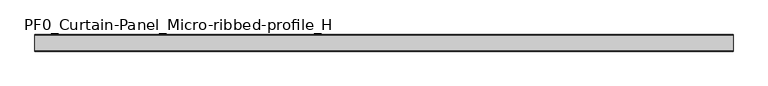
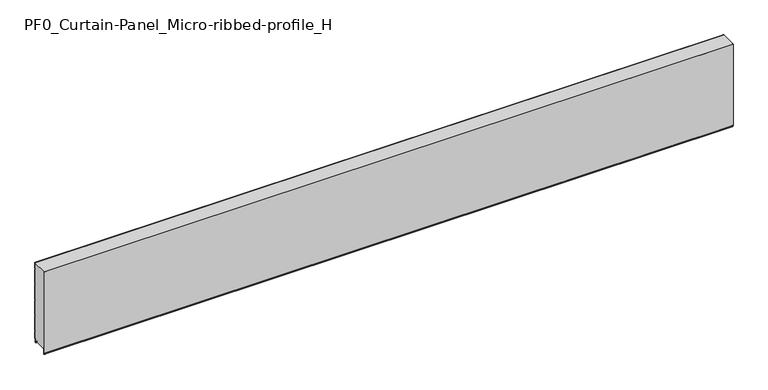
"""IFC4 building model written with IfcOpenShell, lengths in millimetres: plate geometry, PF0_Curtain-Panel_Micro-ribbed-profile_H."""

from ifc_helpers import new_model, si_unit, point, frame, frame_2d, origin, place, context, project, spatial, polyline, circle_curve, trimmed, segment, composite_curve, outline, extrude, source, transform, mapped, element, save


def pf0_curtain_panel_micro_ribbed_profile_h_acbe82d0(model_context):
    return source(origin(), model_context, "Body", "SweptSolid", [
        extrude(outline(composite_curve([segment(polyline([(-15.878557, 0.0), (-20.0, 0.0), (-20.0, 0.8), (-15.878557, 0.8)]), True, "CONTINUOUS"), segment(trimmed(circle_curve(frame_2d((-15.878557, -2.0)), 2.8), [point((-15.878557, 0.8))], [point((-13.1503208, -1.370137))], False, "CARTESIAN"), True, "CONTINUOUS"), segment(polyline([(-13.1503208, -1.370137), (-11.728236, -7.529863)]), True, "CONTINUOUS"), segment(trimmed(circle_curve(frame_2d((-9.0, -6.9)), 2.8), [point((-11.728236, -7.529863))], [point((-6.2, -6.9))], True, "CARTESIAN"), True, "CONTINUOUS"), segment(polyline([(-6.2, -6.9), (-6.2, 8.6)]), True, "CONTINUOUS"), segment(trimmed(circle_curve(frame_2d((-3.4, 8.6)), 2.8), [point((-6.2, 8.6))], [point((-3.4, 11.4))], False, "CARTESIAN"), True, "CONTINUOUS"), segment(polyline([(-3.4, 11.4), (-2.0, 11.4)]), True, "CONTINUOUS"), segment(trimmed(circle_curve(frame_2d((-2.0, 12.6)), 1.2), [point((-2.0, 11.4))], [point((-0.8, 12.6))], True, "CARTESIAN"), True, "CONTINUOUS"), segment(polyline([(-0.8, 12.6), (-0.8, 57.6856412), (-2.482606, 60.6), (-0.8, 63.5143588), (-0.8, 157.6856412), (-2.482606, 160.6), (-0.8, 163.5143588), (-0.8, 257.6856412), (-2.482606, 260.6), (-0.8, 263.5143588), (-0.8, 357.6856412), (-2.482606, 360.6), (-0.8, 363.5143588), (-0.8, 457.6856412), (-2.482606, 460.6), (-0.8, 463.5143588), (-0.8, 500.0), (0.0, 500.0), (0.0, 463.2999995), (-1.5588455, 460.6), (0.0, 457.9000005), (0.0, 363.2999995), (-1.5588455, 360.6), (0.0, 357.9000005), (0.0, 263.2999995), (-1.5588455, 260.6), (0.0, 257.9000005), (0.0, 163.2999995), (-1.5588455, 160.6), (0.0, 157.9000005), (0.0, 63.2999995), (-1.5588455, 60.6), (0.0, 57.9000005), (0.0, 12.6)]), True, "CONTINUOUS"), segment(trimmed(circle_curve(frame_2d((-2.0, 12.6)), 2.0), [point((0.0, 12.6))], [point((-2.0, 10.6))], False, "CARTESIAN"), True, "CONTINUOUS"), segment(polyline([(-2.0, 10.6), (-3.4, 10.6)]), True, "CONTINUOUS"), segment(trimmed(circle_curve(frame_2d((-3.4, 8.6)), 2.0), [point((-3.4, 10.6))], [point((-5.4, 8.6))], True, "CARTESIAN"), True, "CONTINUOUS"), segment(polyline([(-5.4, 8.6), (-5.4, -6.9)]), True, "CONTINUOUS"), segment(trimmed(circle_curve(frame_2d((-9.0, -6.9)), 3.6), [point((-5.4, -6.9))], [point((-12.5077322, -7.7098239))], False, "CARTESIAN"), True, "CONTINUOUS"), segment(polyline([(-12.5077322, -7.7098239), (-13.929817, -1.5500979)]), True, "CONTINUOUS"), segment(trimmed(circle_curve(frame_2d((-15.878557, -2.0)), 2.0), [point((-13.929817, -1.5500979))], [point((-15.878557, 0.0))], True, "CARTESIAN"), True, "CONTINUOUS")], self_intersect=False)), frame((-2100.0, 0.0, 0.0), z_axis=(1.0, 0.0, 0.0), x_axis=(0.0, 1.0, 0.0)), (0.0, 0.0, 1.0), 4200.0),
        extrude(outline(composite_curve([segment(polyline([(-90.0, 0.0), (-93.5, 0.0)]), True, "CONTINUOUS"), segment(trimmed(circle_curve(frame_2d((-93.5, -2.0)), 2.0), [point((-93.5, 0.0))], [point((-95.5, -2.0))], True, "CARTESIAN"), True, "CONTINUOUS"), segment(polyline([(-95.5, -2.0), (-95.5, -33.0)]), True, "CONTINUOUS"), segment(trimmed(circle_curve(frame_2d((-96.5, -33.0)), 1.0), [point((-95.5, -33.0))], [point((-97.5, -33.0))], False, "CARTESIAN"), True, "CONTINUOUS"), segment(polyline([(-97.5, -33.0), (-97.5, -26.9)]), True, "CONTINUOUS"), segment(trimmed(circle_curve(frame_2d((-98.4, -26.9)), 0.9), [point((-97.5, -26.9))], [point((-98.4, -26.0))], True, "CARTESIAN"), True, "CONTINUOUS"), segment(trimmed(circle_curve(frame_2d((-98.4, -24.4)), 1.6), [point((-98.4, -26.0))], [point((-100.0, -24.4))], False, "CARTESIAN"), True, "CONTINUOUS"), segment(polyline([(-100.0, -24.4), (-100.0, 500.0), (-99.2, 500.0), (-99.2, -24.4)]), True, "CONTINUOUS"), segment(trimmed(circle_curve(frame_2d((-98.4, -24.4)), 0.8), [point((-99.2, -24.4))], [point((-98.4, -25.2))], True, "CARTESIAN"), True, "CONTINUOUS"), segment(trimmed(circle_curve(frame_2d((-98.6133333, -26.9)), 1.7133333), [point((-98.4, -25.2))], [point((-96.9, -26.9))], False, "CARTESIAN"), True, "CONTINUOUS"), segment(polyline([(-96.9, -26.9), (-96.9, -32.8700312)]), True, "CONTINUOUS"), segment(trimmed(circle_curve(frame_2d((-96.6, -32.8700312)), 0.3), [point((-96.9, -32.8700312))], [point((-96.3, -32.8700312))], True, "CARTESIAN"), True, "CONTINUOUS"), segment(polyline([(-96.3, -32.8700312), (-96.3, -2.0)]), True, "CONTINUOUS"), segment(trimmed(circle_curve(frame_2d((-93.5, -2.0)), 2.8), [point((-96.3, -2.0))], [point((-93.5, 0.8))], False, "CARTESIAN"), True, "CONTINUOUS"), segment(polyline([(-93.5, 0.8), (-90.0, 0.8), (-90.0, 0.0)]), True, "CONTINUOUS")], self_intersect=False)), frame((-2100.0, 0.0, 0.0), z_axis=(1.0, 0.0, 0.0), x_axis=(0.0, 1.0, 0.0)), (0.0, 0.0, 1.0), 4200.0),
        extrude(outline(composite_curve([segment(polyline([(-90.0, 0.8), (-93.5, 0.8)]), True, "CONTINUOUS"), segment(trimmed(circle_curve(frame_2d((-93.5, -2.0)), 2.8), [point((-93.5, 0.8))], [point((-96.3, -2.0))], True, "CARTESIAN"), True, "CONTINUOUS"), segment(polyline([(-96.3, -2.0), (-96.3, -32.8700312)]), True, "CONTINUOUS"), segment(trimmed(circle_curve(frame_2d((-96.6, -32.8700312)), 0.3), [point((-96.3, -32.8700312))], [point((-96.9, -32.8700312))], False, "CARTESIAN"), True, "CONTINUOUS"), segment(polyline([(-96.9, -32.8700312), (-96.9, -26.9)]), True, "CONTINUOUS"), segment(trimmed(circle_curve(frame_2d((-98.6133333, -26.9)), 1.7133333), [point((-96.9, -26.9))], [point((-98.4, -25.2))], True, "CARTESIAN"), True, "CONTINUOUS"), segment(trimmed(circle_curve(frame_2d((-98.4, -24.4)), 0.8), [point((-98.4, -25.2))], [point((-99.2, -24.4))], False, "CARTESIAN"), True, "CONTINUOUS"), segment(polyline([(-99.2, -24.4), (-99.2, 500.0), (-0.8, 500.0), (-0.8, 463.5143588), (-2.482606, 460.6), (-0.8, 457.6856412), (-0.8, 363.5143588), (-2.482606, 360.6), (-0.8, 357.6856412), (-0.8, 263.5143588), (-2.482606, 260.6), (-0.8, 257.6856412), (-0.8, 163.5143588), (-2.482606, 160.6), (-0.8, 157.6856412), (-0.8, 63.5143588), (-2.482606, 60.6), (-0.8, 57.6856412), (-0.8, 12.6)]), True, "CONTINUOUS"), segment(trimmed(circle_curve(frame_2d((-2.0, 12.6)), 1.2), [point((-0.8, 12.6))], [point((-2.0, 11.4))], False, "CARTESIAN"), True, "CONTINUOUS"), segment(polyline([(-2.0, 11.4), (-3.4, 11.4)]), True, "CONTINUOUS"), segment(trimmed(circle_curve(frame_2d((-3.4, 8.6)), 2.8), [point((-3.4, 11.4))], [point((-6.2, 8.6))], True, "CARTESIAN"), True, "CONTINUOUS"), segment(polyline([(-6.2, 8.6), (-6.2, -6.9)]), True, "CONTINUOUS"), segment(trimmed(circle_curve(frame_2d((-9.0, -6.9)), 2.8), [point((-6.2, -6.9))], [point((-11.7282362, -7.529863))], False, "CARTESIAN"), True, "CONTINUOUS"), segment(polyline([(-11.7282362, -7.529863), (-13.1503208, -1.370137)]), True, "CONTINUOUS"), segment(trimmed(circle_curve(frame_2d((-15.878557, -2.0)), 2.8), [point((-13.1503208, -1.370137))], [point((-15.878557, 0.8))], True, "CARTESIAN"), True, "CONTINUOUS"), segment(polyline([(-15.878557, 0.8), (-20.0, 0.8), (-20.0, 0.0), (-90.0, 0.0), (-90.0, 0.8)]), True, "CONTINUOUS")], self_intersect=False)), frame((-2100.0, 0.0, 0.0), z_axis=(1.0, 0.0, 0.0), x_axis=(0.0, 1.0, 0.0)), (0.0, 0.0, 1.0), 4200.0),
    ])


if __name__ == "__main__":
    model = new_model("IFC4")
    model_context = context("Model", 3, world=origin())
    ifc_project = project(units=[si_unit("LENGTHUNIT", "METRE", prefix="MILLI")], contexts=[model_context])
    site = spatial("IfcSite", under=ifc_project)
    building = spatial("IfcBuilding", under=site)
    placement = place(None, origin())
    pf0_curtain_panel_micro_ribbed_profile_h_shape = pf0_curtain_panel_micro_ribbed_profile_h_acbe82d0(model_context)
    element("IfcPlate", 1, ObjectType="PF0_Curtain-Panel_Micro-ribbed-profile_H", at=placement, inside=building, context=model_context, shape_type="MappedRepresentation", body=[
        mapped(pf0_curtain_panel_micro_ribbed_profile_h_shape, transform((0.0, 0.0, 0.0), x_axis=(1.0, 0.0, 0.0), y_axis=(0.0, 1.0, 0.0), z_axis=(0.0, 0.0, 1.0))),
    ])
    save(model, "model.ifc")
